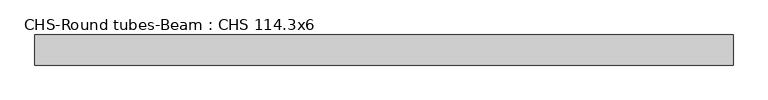
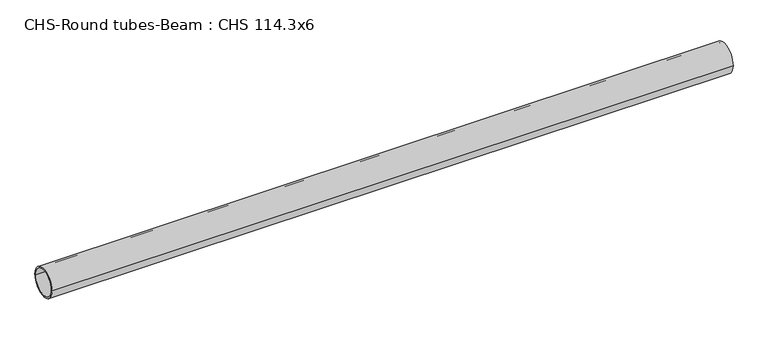
"""IFC4 building model written with IfcOpenShell, lengths in millimetres: beam geometry, CHS-Round tubes-Beam : CHS 114.3x6."""

import ifcopenshell
import ifcopenshell.guid

model = None  # the IFC model being written
_history = None  # IfcOwnerHistory: only IFC2X3 demands one
_inside = {}  # id of a spatial element -> (the spatial element, [elements in it])
_under = {}  # id of a project, library or spatial element -> (it, [spatial elements below it])
_declared = {}  # id of a project -> (the project, [libraries it declares])
_typed = {}  # id of a type object -> (the type object, [elements of that type])
_made_of = {}  # id of a material, layer set ... -> (it, [elements and type objects made of it])


def new_model(schema):
    """Start an empty IFC model of exactly this schema.

    Asked for "IFC4X3", IfcOpenShell would pick the latest addendum, in which some entities
    have other attributes; the version numbers below select the first issue.
    IFC2X3 requires an IfcOwnerHistory on every rooted entity: one is made here for all.
    """
    global model, _history
    if schema == "IFC4X3":
        model = ifcopenshell.file(schema_version=(4, 3, 0, 0))
    else:
        model = ifcopenshell.file(schema=schema)
    _inside.clear()
    _under.clear()
    _declared.clear()
    _typed.clear()
    _made_of.clear()
    _history = None
    if model.schema == "IFC2X3":
        org = make("IfcOrganization", Name="unknown")
        user = make(
            "IfcPersonAndOrganization",
            ThePerson=make("IfcPerson", FamilyName="unknown"),
            TheOrganization=org,
        )
        app = make(
            "IfcApplication",
            ApplicationDeveloper=org,
            Version="unknown",
            ApplicationFullName="unknown",
            ApplicationIdentifier="unknown",
        )
        _history = make(
            "IfcOwnerHistory",
            OwningUser=user,
            OwningApplication=app,
            ChangeAction="ADDED",
            CreationDate=0,
        )
    return model


def make(cls, **values):
    """One entity of the class cls with the attributes given. An attribute that is None is left unset."""
    return model.create_entity(
        cls, **{name: value for name, value in values.items() if value is not None}
    )


def rooted(cls, **values):
    """An entity with a GlobalId (a new one), such as an element, a storey or a relation."""
    return make(cls, GlobalId=ifcopenshell.guid.new(), OwnerHistory=_history, **values)


def si_unit(unit_type, name, prefix=None):
    """IfcSIUnit, for example si_unit("LENGTHUNIT", "METRE", prefix="MILLI")."""
    return make("IfcSIUnit", UnitType=unit_type, Prefix=prefix, Name=name)


def assignment(units):
    """IfcUnitAssignment: the units of a project."""
    return None if units is None else make("IfcUnitAssignment", Units=units)


def point(xyz):
    """IfcCartesianPoint."""
    return None if xyz is None else make("IfcCartesianPoint", Coordinates=xyz)


def direction(xyz):
    """IfcDirection."""
    return None if xyz is None else make("IfcDirection", DirectionRatios=xyz)


def frame(location, z_axis=None, x_axis=None):
    """IfcAxis2Placement3D, a coordinate frame: its origin and axes. An axis left out is left unset."""
    return make(
        "IfcAxis2Placement3D",
        Location=point(location),
        Axis=direction(z_axis),
        RefDirection=direction(x_axis),
    )


def frame_2d(location, x_axis=None):
    """IfcAxis2Placement2D, a coordinate frame in the plane: its origin and x axis."""
    return make(
        "IfcAxis2Placement2D", Location=point(location), RefDirection=direction(x_axis)
    )


def origin():
    """The frame at (0, 0, 0) with its axes left unset."""
    return frame((0.0, 0.0, 0.0))


def origin_2d():
    """The frame at (0, 0) in the plane with its x axis left unset."""
    return frame_2d((0.0, 0.0))


def place(relative_to, where):
    """IfcLocalPlacement: puts the frame where relative to a parent placement (None: the world)."""
    return make(
        "IfcLocalPlacement", PlacementRelTo=relative_to, RelativePlacement=where
    )


def context(
    kind, dimensions, precision=None, world=None, true_north=None, identifier=None
):
    """IfcGeometricRepresentationContext, for example the 3D "Model" context."""
    return make(
        "IfcGeometricRepresentationContext",
        ContextIdentifier=identifier,
        ContextType=kind,
        CoordinateSpaceDimension=dimensions,
        Precision=precision,
        WorldCoordinateSystem=world,
        TrueNorth=true_north,
    )


def project(units=None, contexts=None):
    """IfcProject with its units and contexts."""
    return rooted(
        "IfcProject",
        Name="project",
        RepresentationContexts=contexts,
        UnitsInContext=assignment(units),
    )


def spatial(cls, under=None, at=None, **own):
    """A site, building, storey or space (cls), placed at a placement, below another one or the project."""
    s = rooted(cls, ObjectPlacement=at, **own)
    if under is not None:
        _under.setdefault(under.id(), (under, []))[1].append(s)
    return s


def circle_curve(where, radius):
    """IfcCircle in the frame where."""
    return make("IfcCircle", Position=where, Radius=radius)


def trimmed(basis, trim1, trim2, sense, master):
    """IfcTrimmedCurve: the piece of a basis curve between two trims."""
    return make(
        "IfcTrimmedCurve",
        BasisCurve=basis,
        Trim1=trim1,
        Trim2=trim2,
        SenseAgreement=sense,
        MasterRepresentation=master,
    )


def segment(curve, same_sense, transition):
    """IfcCompositeCurveSegment."""
    return make(
        "IfcCompositeCurveSegment",
        Transition=transition,
        SameSense=same_sense,
        ParentCurve=curve,
    )


def composite_curve(segments, self_intersect=None):
    """IfcCompositeCurve: segments joined end to end."""
    return make("IfcCompositeCurve", Segments=segments, SelfIntersect=self_intersect)


def outline(outer, holes=None, kind="AREA"):
    """IfcArbitraryClosedProfileDef: a profile drawn as a closed curve; with holes, ...WithVoids."""
    if holes is None:
        return make("IfcArbitraryClosedProfileDef", ProfileType=kind, OuterCurve=outer)
    return make(
        "IfcArbitraryProfileDefWithVoids",
        ProfileType=kind,
        OuterCurve=outer,
        InnerCurves=holes,
    )


def extrude(swept, where, along, depth):
    """IfcExtrudedAreaSolid: the profile swept, set in the frame where, extruded along a direction by depth."""
    return make(
        "IfcExtrudedAreaSolid",
        SweptArea=swept,
        Position=where,
        ExtrudedDirection=direction(along),
        Depth=depth,
    )


def shape(context_of_items, identifier, shape_type, items):
    """IfcShapeRepresentation: the items that make up one representation, for example the "Body"."""
    return make(
        "IfcShapeRepresentation",
        ContextOfItems=context_of_items,
        RepresentationIdentifier=identifier,
        RepresentationType=shape_type,
        Items=items,
    )


def source(mapping_origin, context_of_items, identifier, shape_type, items):
    """IfcRepresentationMap: a shape defined once, which mapped items show again and again."""
    return make(
        "IfcRepresentationMap",
        MappingOrigin=mapping_origin,
        MappedRepresentation=shape(context_of_items, identifier, shape_type, items),
    )


def transform(
    local_origin,
    x_axis=None,
    y_axis=None,
    z_axis=None,
    scale=None,
    scale2=None,
    scale3=None,
    uniform=True,
):
    """IfcCartesianTransformationOperator3D, or its non-uniform kind. x_axis, y_axis, z_axis: its Axis1, 2, 3."""
    if uniform:
        return make(
            "IfcCartesianTransformationOperator3D",
            Axis1=direction(x_axis),
            Axis2=direction(y_axis),
            LocalOrigin=point(local_origin),
            Scale=scale,
            Axis3=direction(z_axis),
        )
    return make(
        "IfcCartesianTransformationOperator3DnonUniform",
        Axis1=direction(x_axis),
        Axis2=direction(y_axis),
        LocalOrigin=point(local_origin),
        Scale=scale,
        Axis3=direction(z_axis),
        Scale2=scale2,
        Scale3=scale3,
    )


def mapped(mapping_source, mapping_target):
    """IfcMappedItem: shows the shape of a source again, moved by a transform."""
    return make(
        "IfcMappedItem", MappingSource=mapping_source, MappingTarget=mapping_target
    )


def made_of(thing, what):
    """Note that an element or type object is made of a material, layer set ...; save() writes the relation."""
    if what is not None:
        _made_of.setdefault(what.id(), (what, []))[1].append(thing)
    return thing


def element(
    cls,
    number,
    at=None,
    inside=None,
    cuts=None,
    type_object=None,
    material=None,
    context=None,
    identifier="Body",
    shape_type=None,
    held_by="IfcProductDefinitionShape",
    body=None,
    shapes=None,
    **own,
):
    """One element of the class cls, such as IfcWall. Its Tag is "e" and its number.

    at: its placement. inside: the storey or other place that contains it. cuts: it is an
    opening in that element (IfcRelVoidsElement). A single representation is given by context,
    identifier, shape_type and body (its items); several are given by shapes. held_by: the class
    of the entity that holds the representations. save() writes the other relations.
    """
    e = rooted(cls, Tag="e%d" % number, ObjectPlacement=at, **own)
    if body is not None:
        shapes = [shape(context, identifier, shape_type, body)]
    if shapes is not None:
        e.Representation = make(held_by, Representations=shapes)
    if inside is not None:
        _inside.setdefault(inside.id(), (inside, []))[1].append(e)
    if cuts is not None:
        rooted(
            "IfcRelVoidsElement", RelatingBuildingElement=cuts, RelatedOpeningElement=e
        )
    if type_object is not None:
        _typed.setdefault(type_object.id(), (type_object, []))[1].append(e)
    return made_of(e, material)


def aggregate(whole, parts):
    """IfcRelAggregates: a whole, such as a stair, and the parts it consists of."""
    return rooted("IfcRelAggregates", RelatingObject=whole, RelatedObjects=parts)


def save(model, path):
    """Write the relations noted so far, then the file.

    IfcRelAggregates (storeys below a building ...), IfcRelContainedInSpatialStructure (elements
    in a storey), IfcRelDefinesByType, IfcRelAssociatesMaterial and IfcRelDeclares: one each for
    every whole, place, type object, material and project.
    """
    for whole, parts in _under.values():
        aggregate(whole, parts)
    for where, things in _inside.values():
        rooted(
            "IfcRelContainedInSpatialStructure",
            RelatedElements=things,
            RelatingStructure=where,
        )
    for kind, things in _typed.values():
        rooted("IfcRelDefinesByType", RelatedObjects=things, RelatingType=kind)
    for what, things in _made_of.values():
        rooted("IfcRelAssociatesMaterial", RelatedObjects=things, RelatingMaterial=what)
    for by, libraries in _declared.values():
        rooted("IfcRelDeclares", RelatingContext=by, RelatedDefinitions=libraries)
    model.write(path)


def chs_round_tubes_beam_chs_114_3x6_931317cd(model_context):
    return source(origin(), model_context, "Body", "SweptSolid", [
        extrude(outline(composite_curve([segment(trimmed(circle_curve(origin_2d(), 57.15), [point((57.15, 0.0))], [point((-57.15, 0.0))], False, "CARTESIAN"), True, "CONTINUOUS"), segment(trimmed(circle_curve(origin_2d(), 57.15), [point((-57.15, 0.0))], [point((57.15, 0.0))], False, "CARTESIAN"), True, "CONTINUOUS")], self_intersect=False), holes=[composite_curve([segment(trimmed(circle_curve(origin_2d(), 51.15), [point((51.15, 0.0))], [point((-51.15, 0.0))], True, "CARTESIAN"), True, "CONTINUOUS"), segment(trimmed(circle_curve(origin_2d(), 51.15), [point((-51.15, 0.0))], [point((51.15, 0.0))], True, "CARTESIAN"), True, "CONTINUOUS")], self_intersect=False)]), frame((-1284.1158374, 0.0, 0.0), z_axis=(1.0, 0.0, 0.0), x_axis=(0.0, 1.0, 0.0)), (0.0, 0.0, 1.0), 2648.460393),
    ])


if __name__ == "__main__":
    model = new_model("IFC4")
    model_context = context("Model", 3, world=origin())
    ifc_project = project(units=[si_unit("LENGTHUNIT", "METRE", prefix="MILLI")], contexts=[model_context])
    site = spatial("IfcSite", under=ifc_project)
    building = spatial("IfcBuilding", under=site)
    placement = place(None, origin())
    chs_round_tubes_beam_chs_114_3x6_shape = chs_round_tubes_beam_chs_114_3x6_931317cd(model_context)
    element("IfcBeam", 1, ObjectType="CHS-Round tubes-Beam : CHS 114.3x6", at=placement, inside=building, context=model_context, shape_type="MappedRepresentation", body=[
        mapped(chs_round_tubes_beam_chs_114_3x6_shape, transform((0.0, 0.0, 0.0), x_axis=(1.0, 0.0, 0.0), y_axis=(0.0, 1.0, 0.0), z_axis=(0.0, 0.0, 1.0))),
    ])
    save(model, "model.ifc")
